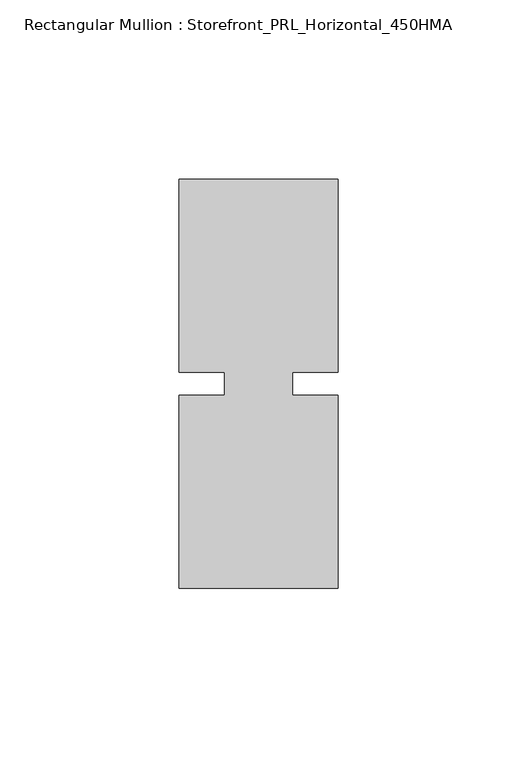
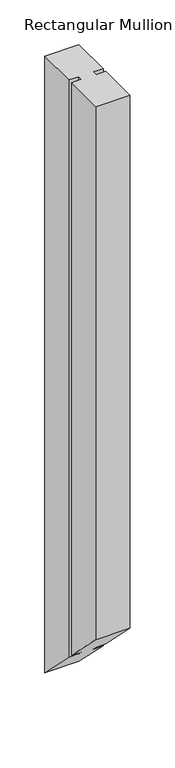
"""IFC4 building model written with IfcOpenShell, lengths in millimetres: member geometry, Rectangular Mullion : Storefront_PRL_Horizontal_450HMA."""

from ifc_helpers import new_model, si_unit, origin, place, context, project, spatial, faceted_brep, source, transform, mapped, element, save


def rectangular_mullion_storefront_prl_horizontal_450hma_339eede5(model_context):
    return source(origin(), model_context, "Body", "Brep", [
        faceted_brep([(-9.525, -3.175, 0.0), (-22.225, -3.175, 0.0), (-22.225, -57.15, 0.0), (22.225, -57.15, 0.0), (22.225, -3.175, 0.0), (9.525, -3.175, 0.0), (9.525, 3.175, 0.0), (22.225, 3.175, 0.0), (22.225, 57.15, 0.0), (-22.225, 57.15, 0.0), (-22.225, 3.175, 0.0), (-9.525, 3.175, 0.0), (-9.525, -3.175, -783.1666667), (-22.225, -3.175, -783.1666667), (-22.225, -57.15, -729.1916667), (22.225, -57.15, -729.1916667), (22.225, -3.175, -783.1666667), (9.525, -3.175, -783.1666667), (9.525, 3.175, -789.5166667), (22.225, 3.175, -789.5166667), (22.225, 57.15, -843.4916667), (-22.225, 57.15, -843.4916667), (-22.225, 3.175, -789.5166667), (-9.525, 3.175, -789.5166667)], [[[0, 1, 2, 3, 4, 5, 6, 7, 8, 9, 10, 11]], [[1, 0, 12, 13]], [[2, 1, 13, 14]], [[3, 2, 14, 15]], [[4, 3, 15, 16]], [[5, 4, 16, 17]], [[6, 5, 17, 18]], [[7, 6, 18, 19]], [[8, 7, 19, 20]], [[9, 8, 20, 21]], [[10, 9, 21, 22]], [[11, 10, 22, 23]], [[0, 11, 23, 12]], [[12, 23, 22, 21, 20, 19, 18, 17, 16, 15, 14, 13]]]),
    ])


if __name__ == "__main__":
    model = new_model("IFC4")
    model_context = context("Model", 3, world=origin())
    ifc_project = project(units=[si_unit("LENGTHUNIT", "METRE", prefix="MILLI")], contexts=[model_context])
    site = spatial("IfcSite", under=ifc_project)
    building = spatial("IfcBuilding", under=site)
    placement = place(None, origin())
    rectangular_mullion_storefront_prl_horizontal_450hma_shape = rectangular_mullion_storefront_prl_horizontal_450hma_339eede5(model_context)
    element("IfcMember", 1, ObjectType="Rectangular Mullion : Storefront_PRL_Horizontal_450HMA", at=placement, inside=building, context=model_context, shape_type="MappedRepresentation", body=[
        mapped(rectangular_mullion_storefront_prl_horizontal_450hma_shape, transform((0.0, 0.0, 0.0), x_axis=(1.0, 0.0, 0.0), y_axis=(0.0, 1.0, 0.0), z_axis=(0.0, 0.0, 1.0))),
    ])
    save(model, "model.ifc")
